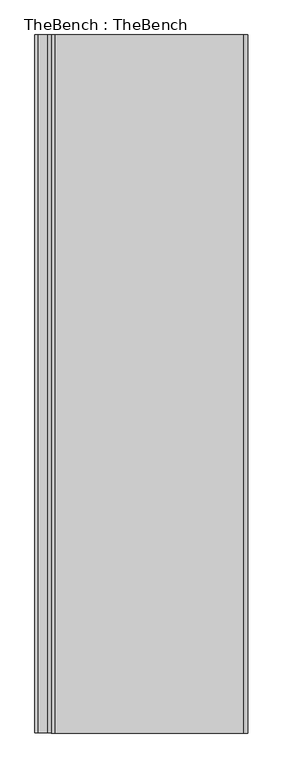
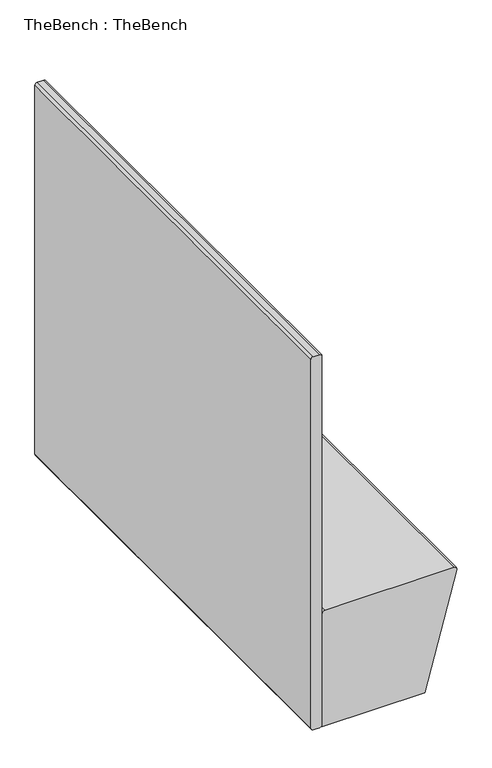
"""IFC4 building model written with IfcOpenShell, lengths in millimetres: furniture geometry, TheBench : TheBench."""

from ifc_helpers import new_model, si_unit, point, frame, frame_2d, origin, origin_with_axes, place, context, project, spatial, polyline, circle_curve, trimmed, segment, composite_curve, outline, extrude, source, transform, mapped, element, save


def thebench_thebench_0cb08b9b(model_context):
    return source(origin(), model_context, "Body", "SweptSolid", [
        extrude(outline(composite_curve([segment(trimmed(circle_curve(frame_2d((396.4499745, -22.3217092)), 10.0000255), [point((386.449949, -22.3217092))], [point((406.45, -22.3217092))], False, "CARTESIAN"), True, "CONTINUOUS"), segment(trimmed(circle_curve(frame_2d((396.4499745, -22.3217092)), 10.0000255), [point((406.45, -22.3217092))], [point((386.449949, -22.3217092))], False, "CARTESIAN"), True, "CONTINUOUS")], self_intersect=False)), origin_with_axes(), (0.0, 0.0, 1.0), 10.0000005),
        extrude(outline(composite_curve([segment(trimmed(circle_curve(frame_2d((64.4499723, -22.3217092)), 10.0000255), [point((54.4499468, -22.3217092))], [point((74.4499978, -22.3217092))], False, "CARTESIAN"), True, "CONTINUOUS"), segment(trimmed(circle_curve(frame_2d((64.4499723, -22.3217092)), 10.0000255), [point((74.4499978, -22.3217092))], [point((54.4499468, -22.3217092))], False, "CARTESIAN"), True, "CONTINUOUS")], self_intersect=False)), origin_with_axes(), (0.0, 0.0, 1.0), 10.0000005),
        extrude(outline(composite_curve([segment(trimmed(circle_curve(frame_2d((396.4499745, -1732.3217117)), 10.0000255), [point((386.449949, -1732.3217117))], [point((406.45, -1732.3217117))], False, "CARTESIAN"), True, "CONTINUOUS"), segment(trimmed(circle_curve(frame_2d((396.4499745, -1732.3217117)), 10.0000255), [point((406.45, -1732.3217117))], [point((386.449949, -1732.3217117))], False, "CARTESIAN"), True, "CONTINUOUS")], self_intersect=False)), origin_with_axes(), (0.0, 0.0, 1.0), 10.0000005),
        extrude(outline(composite_curve([segment(trimmed(circle_curve(frame_2d((64.4499723, -1732.3217117)), 10.0000255), [point((54.4499468, -1732.3217117))], [point((74.4499978, -1732.3217117))], False, "CARTESIAN"), True, "CONTINUOUS"), segment(trimmed(circle_curve(frame_2d((64.4499723, -1732.3217117)), 10.0000255), [point((74.4499978, -1732.3217117))], [point((54.4499468, -1732.3217117))], False, "CARTESIAN"), True, "CONTINUOUS")], self_intersect=False)), origin_with_axes(), (0.0, 0.0, 1.0), 10.0000005),
        extrude(outline(composite_curve([segment(polyline([(1451.1596297, 0.0), (18.8312995, 0.0)]), True, "CONTINUOUS"), segment(trimmed(circle_curve(frame_2d((18.8312995, 8.831299)), 8.831299), [point((18.8312995, 0.0))], [point((10.0000005, 8.831299))], False, "CARTESIAN"), True, "CONTINUOUS"), segment(polyline([(10.0000005, 8.831299), (10.0000005, 31.75)]), True, "CONTINUOUS"), segment(trimmed(circle_curve(frame_2d((18.8304693, 31.75)), 8.8304687), [point((10.0000005, 31.75))], [point((18.8304693, 40.5804688))], False, "CARTESIAN"), True, "CONTINUOUS"), segment(polyline([(18.8304693, 40.5804688), (1451.1596297, 40.5804688)]), True, "CONTINUOUS"), segment(trimmed(circle_curve(frame_2d((1451.1596297, 31.75)), 8.8304687), [point((1451.1596297, 40.5804688))], [point((1459.9900985, 31.75))], False, "CARTESIAN"), True, "CONTINUOUS"), segment(polyline([(1459.9900985, 31.75), (1459.9900985, 8.8304688)]), True, "CONTINUOUS"), segment(trimmed(circle_curve(frame_2d((1451.1596297, 8.8304688)), 8.8304688), [point((1459.9900985, 8.8304688))], [point((1451.1596297, 0.0))], False, "CARTESIAN"), True, "CONTINUOUS")], self_intersect=False)), frame((0.0, -1757.3217251, 0.0), z_axis=(0.0, 1.0, 0.0), x_axis=(0.0, 0.0, 1.0)), (0.0, 0.0, 1.0), 1757.3217251),
        extrude(outline(composite_curve([segment(trimmed(circle_curve(frame_2d((450.1340275, 50.446452)), 9.8659833), [point((460.0000108, 50.446452))], [point((450.1340275, 40.5804688))], False, "CARTESIAN"), True, "CONTINUOUS"), segment(polyline([(450.1340275, 40.5804688), (10.0000005, 40.5804688), (10.0000005, 418.8729699), (447.3618068, 535.9595893)]), True, "CONTINUOUS"), segment(trimmed(circle_curve(frame_2d((449.9585686, 526.259724)), 10.0414421), [point((447.3618068, 535.9595893))], [point((460.0000108, 526.259724))], False, "CARTESIAN"), True, "CONTINUOUS"), segment(polyline([(460.0000108, 526.259724), (460.0000108, 50.446452)]), True, "CONTINUOUS")], self_intersect=False)), frame((0.0, -1757.3217251, 0.0), z_axis=(0.0, 1.0, 0.0), x_axis=(0.0, 0.0, 1.0)), (0.0, 0.0, 1.0), 1757.3217251),
    ])


if __name__ == "__main__":
    model = new_model("IFC4")
    model_context = context("Model", 3, world=origin())
    ifc_project = project(units=[si_unit("LENGTHUNIT", "METRE", prefix="MILLI")], contexts=[model_context])
    site = spatial("IfcSite", under=ifc_project)
    building = spatial("IfcBuilding", under=site)
    placement = place(None, origin())
    thebench_thebench_shape = thebench_thebench_0cb08b9b(model_context)
    element("IfcFurniture", 1, ObjectType="TheBench : TheBench", at=placement, inside=building, context=model_context, shape_type="MappedRepresentation", body=[
        mapped(thebench_thebench_shape, transform((0.0, 0.0, 0.0), x_axis=(1.0, 0.0, 0.0), y_axis=(0.0, 1.0, 0.0), z_axis=(0.0, 0.0, 1.0))),
    ])
    save(model, "model.ifc")
